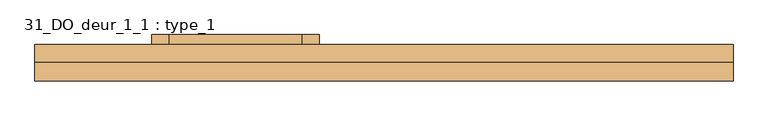
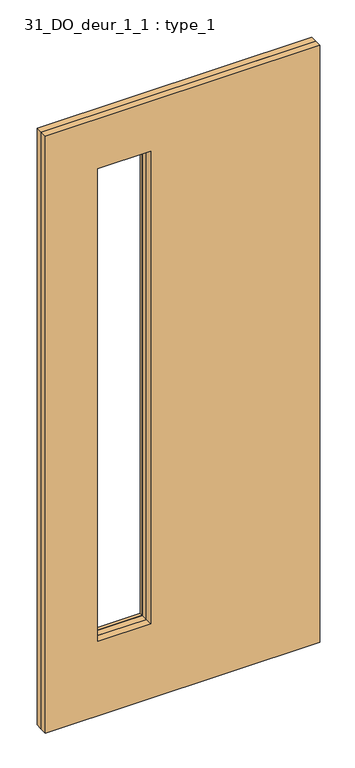
"""IFC4 building model written with IfcOpenShell, lengths in millimetres: door geometry, 31_DO_deur_1_1 : type_1."""

from ifc_helpers import new_model, si_unit, frame, origin, place, context, project, spatial, polyline, outline, extrude, source, transform, mapped, element, save


def door_31_do_deur_1_1_type_1_6b11fc14(model_context):
    return source(origin(), model_context, "Body", "SweptSolid", [
        extrude(outline(polyline([(-97.0833333, 99.0), (-97.0833333, 84.0), (-122.0833333, 84.0), (-122.0833333, 99.0), (-97.0833333, 99.0)])), frame((0.0, 0.0, 275.0), z_axis=(0.0, 0.0, 1.0), x_axis=(1.0, 0.0, 0.0)), (0.0, 0.0, 1.0), 1949.5),
        extrude(outline(polyline([(-322.0833333, 84.0), (-322.0833333, 99.0), (-122.0833333, 99.0), (-122.0833333, 84.0), (-322.0833333, 84.0)])), frame((0.0, 0.0, 275.0), z_axis=(0.0, 0.0, 1.0), x_axis=(1.0, 0.0, 0.0)), (0.0, 0.0, 1.0), 25.0),
        extrude(outline(polyline([(-347.0833333, 99.0), (-322.0833333, 99.0), (-322.0833333, 84.0), (-347.0833333, 84.0), (-347.0833333, 99.0)])), frame((0.0, 0.0, 275.0), z_axis=(0.0, 0.0, 1.0), x_axis=(1.0, 0.0, 0.0)), (0.0, 0.0, 1.0), 1949.5),
        extrude(outline(polyline([(-122.0833333, 99.0), (-122.0833333, 84.0), (-322.0833333, 84.0), (-322.0833333, 99.0), (-122.0833333, 99.0)])), frame((0.0, 0.0, 2199.5), z_axis=(0.0, 0.0, 1.0), x_axis=(1.0, 0.0, 0.0)), (0.0, 0.0, 1.0), 25.0),
        extrude(outline(polyline([(2399.5, -522.0833333), (0.0, -522.0833333), (0.0, 522.0833333), (2399.5, 522.0833333), (2399.5, -522.0833333)]), holes=[polyline([(300.0, -322.0833333), (2199.5, -322.0833333), (2199.5, -122.0833333), (300.0, -122.0833333), (300.0, -322.0833333)])]), frame((0.0, 30.0, 0.0), z_axis=(0.0, 1.0, 0.0), x_axis=(0.0, 0.0, 1.0)), (0.0, 0.0, 1.0), 27.0),
        extrude(outline(polyline([(2399.5, -522.0833333), (0.0, -522.0833333), (0.0, 522.0833333), (2399.5, 522.0833333), (2399.5, -522.0833333)]), holes=[polyline([(300.0, -322.0833333), (2199.5, -322.0833333), (2199.5, -122.0833333), (300.0, -122.0833333), (300.0, -322.0833333)])]), frame((0.0, 57.0, 0.0), z_axis=(0.0, 1.0, 0.0), x_axis=(0.0, 0.0, 1.0)), (0.0, 0.0, 1.0), 27.0),
    ])


if __name__ == "__main__":
    model = new_model("IFC4")
    model_context = context("Model", 3, world=origin())
    ifc_project = project(units=[si_unit("LENGTHUNIT", "METRE", prefix="MILLI")], contexts=[model_context])
    site = spatial("IfcSite", under=ifc_project)
    building = spatial("IfcBuilding", under=site)
    placement = place(None, origin())
    door_31_do_deur_1_1_type_1_shape = door_31_do_deur_1_1_type_1_6b11fc14(model_context)
    element("IfcDoor", 1, ObjectType="31_DO_deur_1_1 : type_1", at=placement, inside=building, context=model_context, shape_type="MappedRepresentation", body=[
        mapped(door_31_do_deur_1_1_type_1_shape, transform((0.0, 0.0, 0.0), x_axis=(1.0, 0.0, 0.0), y_axis=(0.0, 1.0, 0.0), z_axis=(0.0, 0.0, 1.0))),
    ])
    save(model, "model.ifc")
